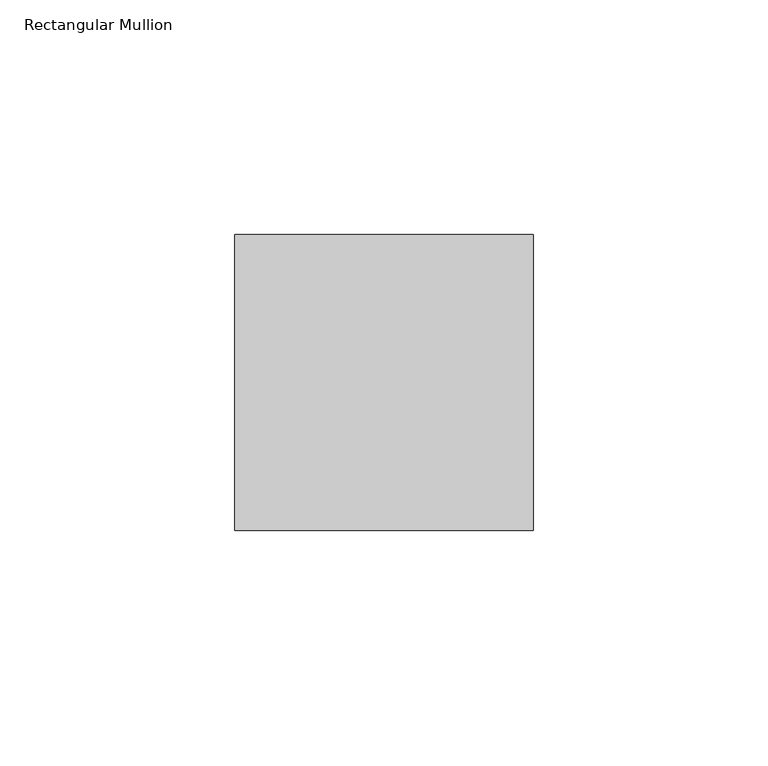
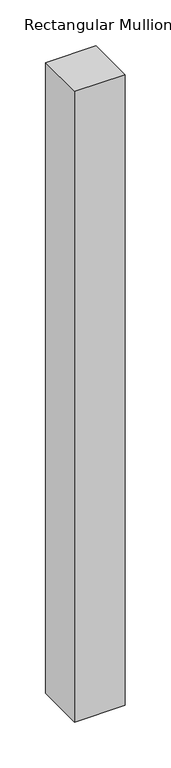
"""IFC4 building model written with IfcOpenShell, lengths in millimetres: member geometry, Rectangular Mullion."""

from ifc_helpers import new_model, si_unit, frame, origin, place, context, project, spatial, polyline, outline, extrude, source, transform, mapped, element, save


def rectangular_mullion_08c20bad(model_context):
    return source(origin(), model_context, "Body", "SweptSolid", [
        extrude(outline(polyline([(31.75, 52.5859375), (-31.75, 52.5859375), (-31.75, 115.5779375), (31.75, 115.5779375), (31.75, 52.5859375)])), frame((0.0, 0.0, -838.3737198), z_axis=(0.0, 0.0, 1.0), x_axis=(1.0, 0.0, 0.0)), (0.0, 0.0, 1.0), 838.3737198),
    ])


if __name__ == "__main__":
    model = new_model("IFC4")
    model_context = context("Model", 3, world=origin())
    ifc_project = project(units=[si_unit("LENGTHUNIT", "METRE", prefix="MILLI")], contexts=[model_context])
    site = spatial("IfcSite", under=ifc_project)
    building = spatial("IfcBuilding", under=site)
    placement = place(None, origin())
    rectangular_mullion_shape = rectangular_mullion_08c20bad(model_context)
    element("IfcMember", 1, ObjectType="Rectangular Mullion", at=placement, inside=building, context=model_context, shape_type="MappedRepresentation", body=[
        mapped(rectangular_mullion_shape, transform((0.0, 0.0, 0.0), x_axis=(1.0, 0.0, 0.0), y_axis=(0.0, 1.0, 0.0), z_axis=(0.0, 0.0, 1.0))),
    ])
    save(model, "model.ifc")
